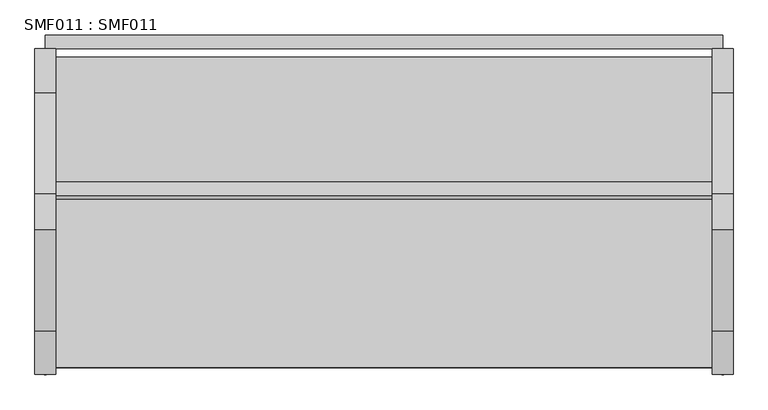
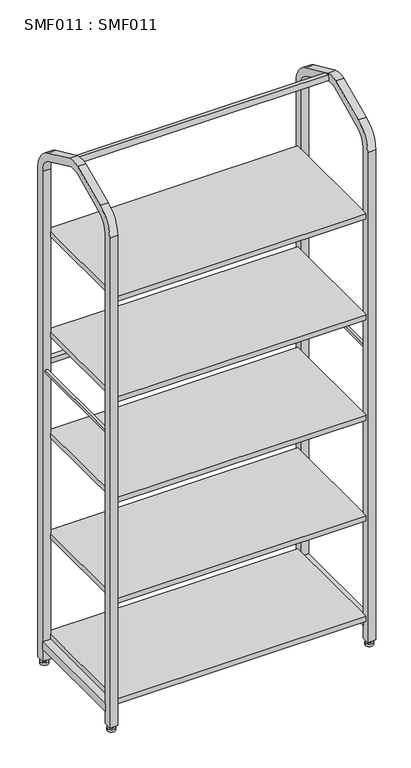
"""IFC4 building model written with IfcOpenShell, lengths in millimetres: proxy geometry, SMF011 : SMF011."""

import ifcopenshell
import ifcopenshell.guid

model = None  # the IFC model being written
_history = None  # IfcOwnerHistory: only IFC2X3 demands one
_inside = {}  # id of a spatial element -> (the spatial element, [elements in it])
_under = {}  # id of a project, library or spatial element -> (it, [spatial elements below it])
_declared = {}  # id of a project -> (the project, [libraries it declares])
_typed = {}  # id of a type object -> (the type object, [elements of that type])
_made_of = {}  # id of a material, layer set ... -> (it, [elements and type objects made of it])


def new_model(schema):
    """Start an empty IFC model of exactly this schema.

    Asked for "IFC4X3", IfcOpenShell would pick the latest addendum, in which some entities
    have other attributes; the version numbers below select the first issue.
    IFC2X3 requires an IfcOwnerHistory on every rooted entity: one is made here for all.
    """
    global model, _history
    if schema == "IFC4X3":
        model = ifcopenshell.file(schema_version=(4, 3, 0, 0))
    else:
        model = ifcopenshell.file(schema=schema)
    _inside.clear()
    _under.clear()
    _declared.clear()
    _typed.clear()
    _made_of.clear()
    _history = None
    if model.schema == "IFC2X3":
        org = make("IfcOrganization", Name="unknown")
        user = make(
            "IfcPersonAndOrganization",
            ThePerson=make("IfcPerson", FamilyName="unknown"),
            TheOrganization=org,
        )
        app = make(
            "IfcApplication",
            ApplicationDeveloper=org,
            Version="unknown",
            ApplicationFullName="unknown",
            ApplicationIdentifier="unknown",
        )
        _history = make(
            "IfcOwnerHistory",
            OwningUser=user,
            OwningApplication=app,
            ChangeAction="ADDED",
            CreationDate=0,
        )
    return model


def make(cls, **values):
    """One entity of the class cls with the attributes given. An attribute that is None is left unset."""
    return model.create_entity(
        cls, **{name: value for name, value in values.items() if value is not None}
    )


def rooted(cls, **values):
    """An entity with a GlobalId (a new one), such as an element, a storey or a relation."""
    return make(cls, GlobalId=ifcopenshell.guid.new(), OwnerHistory=_history, **values)


def si_unit(unit_type, name, prefix=None):
    """IfcSIUnit, for example si_unit("LENGTHUNIT", "METRE", prefix="MILLI")."""
    return make("IfcSIUnit", UnitType=unit_type, Prefix=prefix, Name=name)


def assignment(units):
    """IfcUnitAssignment: the units of a project."""
    return None if units is None else make("IfcUnitAssignment", Units=units)


def point(xyz):
    """IfcCartesianPoint."""
    return None if xyz is None else make("IfcCartesianPoint", Coordinates=xyz)


def direction(xyz):
    """IfcDirection."""
    return None if xyz is None else make("IfcDirection", DirectionRatios=xyz)


def frame(location, z_axis=None, x_axis=None):
    """IfcAxis2Placement3D, a coordinate frame: its origin and axes. An axis left out is left unset."""
    return make(
        "IfcAxis2Placement3D",
        Location=point(location),
        Axis=direction(z_axis),
        RefDirection=direction(x_axis),
    )


def frame_2d(location, x_axis=None):
    """IfcAxis2Placement2D, a coordinate frame in the plane: its origin and x axis."""
    return make(
        "IfcAxis2Placement2D", Location=point(location), RefDirection=direction(x_axis)
    )


def origin():
    """The frame at (0, 0, 0) with its axes left unset."""
    return frame((0.0, 0.0, 0.0))


def origin_with_axes():
    """The frame at (0, 0, 0) with the z axis (0, 0, 1) and the x axis (1, 0, 0) written out."""
    return frame((0.0, 0.0, 0.0), z_axis=(0.0, 0.0, 1.0), x_axis=(1.0, 0.0, 0.0))


def place(relative_to, where):
    """IfcLocalPlacement: puts the frame where relative to a parent placement (None: the world)."""
    return make(
        "IfcLocalPlacement", PlacementRelTo=relative_to, RelativePlacement=where
    )


def context(
    kind, dimensions, precision=None, world=None, true_north=None, identifier=None
):
    """IfcGeometricRepresentationContext, for example the 3D "Model" context."""
    return make(
        "IfcGeometricRepresentationContext",
        ContextIdentifier=identifier,
        ContextType=kind,
        CoordinateSpaceDimension=dimensions,
        Precision=precision,
        WorldCoordinateSystem=world,
        TrueNorth=true_north,
    )


def project(units=None, contexts=None):
    """IfcProject with its units and contexts."""
    return rooted(
        "IfcProject",
        Name="project",
        RepresentationContexts=contexts,
        UnitsInContext=assignment(units),
    )


def spatial(cls, under=None, at=None, **own):
    """A site, building, storey or space (cls), placed at a placement, below another one or the project."""
    s = rooted(cls, ObjectPlacement=at, **own)
    if under is not None:
        _under.setdefault(under.id(), (under, []))[1].append(s)
    return s


def polyline(points):
    """IfcPolyline through the points."""
    return make("IfcPolyline", Points=[point(p) for p in points])


def circle_curve(where, radius):
    """IfcCircle in the frame where."""
    return make("IfcCircle", Position=where, Radius=radius)


def trimmed(basis, trim1, trim2, sense, master):
    """IfcTrimmedCurve: the piece of a basis curve between two trims."""
    return make(
        "IfcTrimmedCurve",
        BasisCurve=basis,
        Trim1=trim1,
        Trim2=trim2,
        SenseAgreement=sense,
        MasterRepresentation=master,
    )


def segment(curve, same_sense, transition):
    """IfcCompositeCurveSegment."""
    return make(
        "IfcCompositeCurveSegment",
        Transition=transition,
        SameSense=same_sense,
        ParentCurve=curve,
    )


def composite_curve(segments, self_intersect=None):
    """IfcCompositeCurve: segments joined end to end."""
    return make("IfcCompositeCurve", Segments=segments, SelfIntersect=self_intersect)


def outline(outer, holes=None, kind="AREA"):
    """IfcArbitraryClosedProfileDef: a profile drawn as a closed curve; with holes, ...WithVoids."""
    if holes is None:
        return make("IfcArbitraryClosedProfileDef", ProfileType=kind, OuterCurve=outer)
    return make(
        "IfcArbitraryProfileDefWithVoids",
        ProfileType=kind,
        OuterCurve=outer,
        InnerCurves=holes,
    )


def extrude(swept, where, along, depth):
    """IfcExtrudedAreaSolid: the profile swept, set in the frame where, extruded along a direction by depth."""
    return make(
        "IfcExtrudedAreaSolid",
        SweptArea=swept,
        Position=where,
        ExtrudedDirection=direction(along),
        Depth=depth,
    )


def shape(context_of_items, identifier, shape_type, items):
    """IfcShapeRepresentation: the items that make up one representation, for example the "Body"."""
    return make(
        "IfcShapeRepresentation",
        ContextOfItems=context_of_items,
        RepresentationIdentifier=identifier,
        RepresentationType=shape_type,
        Items=items,
    )


def source(mapping_origin, context_of_items, identifier, shape_type, items):
    """IfcRepresentationMap: a shape defined once, which mapped items show again and again."""
    return make(
        "IfcRepresentationMap",
        MappingOrigin=mapping_origin,
        MappedRepresentation=shape(context_of_items, identifier, shape_type, items),
    )


def transform(
    local_origin,
    x_axis=None,
    y_axis=None,
    z_axis=None,
    scale=None,
    scale2=None,
    scale3=None,
    uniform=True,
):
    """IfcCartesianTransformationOperator3D, or its non-uniform kind. x_axis, y_axis, z_axis: its Axis1, 2, 3."""
    if uniform:
        return make(
            "IfcCartesianTransformationOperator3D",
            Axis1=direction(x_axis),
            Axis2=direction(y_axis),
            LocalOrigin=point(local_origin),
            Scale=scale,
            Axis3=direction(z_axis),
        )
    return make(
        "IfcCartesianTransformationOperator3DnonUniform",
        Axis1=direction(x_axis),
        Axis2=direction(y_axis),
        LocalOrigin=point(local_origin),
        Scale=scale,
        Axis3=direction(z_axis),
        Scale2=scale2,
        Scale3=scale3,
    )


def mapped(mapping_source, mapping_target):
    """IfcMappedItem: shows the shape of a source again, moved by a transform."""
    return make(
        "IfcMappedItem", MappingSource=mapping_source, MappingTarget=mapping_target
    )


def made_of(thing, what):
    """Note that an element or type object is made of a material, layer set ...; save() writes the relation."""
    if what is not None:
        _made_of.setdefault(what.id(), (what, []))[1].append(thing)
    return thing


def element(
    cls,
    number,
    at=None,
    inside=None,
    cuts=None,
    type_object=None,
    material=None,
    context=None,
    identifier="Body",
    shape_type=None,
    held_by="IfcProductDefinitionShape",
    body=None,
    shapes=None,
    **own,
):
    """One element of the class cls, such as IfcWall. Its Tag is "e" and its number.

    at: its placement. inside: the storey or other place that contains it. cuts: it is an
    opening in that element (IfcRelVoidsElement). A single representation is given by context,
    identifier, shape_type and body (its items); several are given by shapes. held_by: the class
    of the entity that holds the representations. save() writes the other relations.
    """
    e = rooted(cls, Tag="e%d" % number, ObjectPlacement=at, **own)
    if body is not None:
        shapes = [shape(context, identifier, shape_type, body)]
    if shapes is not None:
        e.Representation = make(held_by, Representations=shapes)
    if inside is not None:
        _inside.setdefault(inside.id(), (inside, []))[1].append(e)
    if cuts is not None:
        rooted(
            "IfcRelVoidsElement", RelatingBuildingElement=cuts, RelatedOpeningElement=e
        )
    if type_object is not None:
        _typed.setdefault(type_object.id(), (type_object, []))[1].append(e)
    return made_of(e, material)


def aggregate(whole, parts):
    """IfcRelAggregates: a whole, such as a stair, and the parts it consists of."""
    return rooted("IfcRelAggregates", RelatingObject=whole, RelatedObjects=parts)


def save(model, path):
    """Write the relations noted so far, then the file.

    IfcRelAggregates (storeys below a building ...), IfcRelContainedInSpatialStructure (elements
    in a storey), IfcRelDefinesByType, IfcRelAssociatesMaterial and IfcRelDeclares: one each for
    every whole, place, type object, material and project.
    """
    for whole, parts in _under.values():
        aggregate(whole, parts)
    for where, things in _inside.values():
        rooted(
            "IfcRelContainedInSpatialStructure",
            RelatedElements=things,
            RelatingStructure=where,
        )
    for kind, things in _typed.values():
        rooted("IfcRelDefinesByType", RelatedObjects=things, RelatingType=kind)
    for what, things in _made_of.values():
        rooted("IfcRelAssociatesMaterial", RelatedObjects=things, RelatingMaterial=what)
    for by, libraries in _declared.values():
        rooted("IfcRelDeclares", RelatingContext=by, RelatedDefinitions=libraries)
    model.write(path)


def smf011_smf011_c365aa45(model_context):
    return source(origin(), model_context, "Body", "SweptSolid", [
        extrude(outline(composite_curve([segment(trimmed(circle_curve(frame_2d((985.0, -452.0)), 7.4793619), [point((977.5206381, -452.0))], [point((992.4793619, -452.0))], False, "CARTESIAN"), True, "CONTINUOUS"), segment(trimmed(circle_curve(frame_2d((985.0, -452.0)), 7.4793619), [point((992.4793619, -452.0))], [point((977.5206381, -452.0))], False, "CARTESIAN"), True, "CONTINUOUS")], self_intersect=False)), frame((0.0, 0.0, 10.0), z_axis=(0.0, 0.0, 1.0), x_axis=(1.0, 0.0, 0.0)), (0.0, 0.0, 1.0), 10.0),
        extrude(outline(composite_curve([segment(trimmed(circle_curve(frame_2d((985.0, -15.0)), 7.4984661), [point((977.5015339, -15.0))], [point((992.4984661, -15.0))], False, "CARTESIAN"), True, "CONTINUOUS"), segment(trimmed(circle_curve(frame_2d((985.0, -15.0)), 7.4984661), [point((992.4984661, -15.0))], [point((977.5015339, -15.0))], False, "CARTESIAN"), True, "CONTINUOUS")], self_intersect=False)), frame((0.0, 0.0, 10.0), z_axis=(0.0, 0.0, 1.0), x_axis=(1.0, 0.0, 0.0)), (0.0, 0.0, 1.0), 10.0),
        extrude(outline(composite_curve([segment(trimmed(circle_curve(frame_2d((15.0, -15.0)), 7.5056106), [point((7.4943894, -15.0))], [point((22.5056106, -15.0))], False, "CARTESIAN"), True, "CONTINUOUS"), segment(trimmed(circle_curve(frame_2d((15.0, -15.0)), 7.5056106), [point((22.5056106, -15.0))], [point((7.4943894, -15.0))], False, "CARTESIAN"), True, "CONTINUOUS")], self_intersect=False)), frame((0.0, 0.0, 10.0), z_axis=(0.0, 0.0, 1.0), x_axis=(1.0, 0.0, 0.0)), (0.0, 0.0, 1.0), 10.0),
        extrude(outline(composite_curve([segment(trimmed(circle_curve(frame_2d((15.0, -452.0)), 7.5004036), [point((7.4995964, -452.0))], [point((22.5004036, -452.0))], False, "CARTESIAN"), True, "CONTINUOUS"), segment(trimmed(circle_curve(frame_2d((15.0, -452.0)), 7.5004036), [point((22.5004036, -452.0))], [point((7.4995964, -452.0))], False, "CARTESIAN"), True, "CONTINUOUS")], self_intersect=False)), frame((0.0, 0.0, 10.0), z_axis=(0.0, 0.0, 1.0), x_axis=(1.0, 0.0, 0.0)), (0.0, 0.0, 1.0), 10.0),
        extrude(outline(composite_curve([segment(trimmed(circle_curve(frame_2d((15.0, -451.9999975)), 15.0), [point((0.0, -451.9999975))], [point((30.0, -451.9999975))], False, "CARTESIAN"), True, "CONTINUOUS"), segment(trimmed(circle_curve(frame_2d((15.0, -451.9999975)), 15.0), [point((30.0, -451.9999975))], [point((0.0, -451.9999975))], False, "CARTESIAN"), True, "CONTINUOUS")], self_intersect=False)), origin_with_axes(), (0.0, 0.0, 1.0), 10.0),
        extrude(outline(composite_curve([segment(trimmed(circle_curve(frame_2d((14.9999997, -15.0)), 15.0), [point((-3e-07, -15.0))], [point((29.9999997, -15.0))], False, "CARTESIAN"), True, "CONTINUOUS"), segment(trimmed(circle_curve(frame_2d((14.9999997, -15.0)), 15.0), [point((29.9999997, -15.0))], [point((-3e-07, -15.0))], False, "CARTESIAN"), True, "CONTINUOUS")], self_intersect=False)), origin_with_axes(), (0.0, 0.0, 1.0), 10.0),
        extrude(outline(composite_curve([segment(trimmed(circle_curve(frame_2d((984.9999784, -15.0)), 15.0), [point((969.9999784, -15.0))], [point((999.9999784, -15.0))], False, "CARTESIAN"), True, "CONTINUOUS"), segment(trimmed(circle_curve(frame_2d((984.9999784, -15.0)), 15.0), [point((999.9999784, -15.0))], [point((969.9999784, -15.0))], False, "CARTESIAN"), True, "CONTINUOUS")], self_intersect=False)), origin_with_axes(), (0.0, 0.0, 1.0), 10.0),
        extrude(outline(composite_curve([segment(trimmed(circle_curve(frame_2d((985.0000148, -451.9999975)), 15.0), [point((970.0000148, -451.9999975))], [point((1000.0000148, -451.9999975))], False, "CARTESIAN"), True, "CONTINUOUS"), segment(trimmed(circle_curve(frame_2d((985.0000148, -451.9999975)), 15.0), [point((1000.0000148, -451.9999975))], [point((970.0000148, -451.9999975))], False, "CARTESIAN"), True, "CONTINUOUS")], self_intersect=False)), origin_with_axes(), (0.0, 0.0, 1.0), 10.0),
        extrude(outline(polyline([(1000.0, -29.9999993), (1000.0, -436.9999975), (970.0, -436.9999975), (970.0, -29.9999993), (1000.0, -29.9999993)])), frame((0.0, 0.0, 68.0000009), z_axis=(0.0, 0.0, 1.0), x_axis=(1.0, 0.0, 0.0)), (0.0, 0.0, 1.0), 29.9999948),
        extrude(outline(polyline([(970.0, -223.5000024), (970.0, -243.499999), (30.0, -243.499999), (30.0, -223.5000024), (970.0, -223.5000024)])), frame((0.0, 0.0, 73.0), z_axis=(0.0, 0.0, 1.0), x_axis=(1.0, 0.0, 0.0)), (0.0, 0.0, 1.0), 20.0000011),
        extrude(outline(polyline([(30.0, -29.9999993), (30.0, -436.9999975), (0.0, -436.9999975), (0.0, -29.9999993), (30.0, -29.9999993)])), frame((0.0, 0.0, 68.0000009), z_axis=(0.0, 0.0, 1.0), x_axis=(1.0, 0.0, 0.0)), (0.0, 0.0, 1.0), 29.9999948),
        extrude(outline(polyline([(20.0000011, -436.9999975), (10.0000005, -436.9999975), (10.0000005, 0.0), (20.0000011, 0.0), (20.0000011, -436.9999975)])), frame((0.0, 0.0, 1164.0000263), z_axis=(0.0, 0.0, 1.0), x_axis=(1.0, 0.0, 0.0)), (0.0, 0.0, 1.0), 9.999971),
        extrude(outline(polyline([(989.999964, -436.9999975), (979.9999929, -436.9999975), (979.9999929, 0.0), (989.999964, 0.0), (989.999964, -436.9999975)])), frame((0.0, 0.0, 1164.0000263), z_axis=(0.0, 0.0, 1.0), x_axis=(1.0, 0.0, 0.0)), (0.0, 0.0, 1.0), 9.999971),
        extrude(outline(polyline([(984.9999784, 20.0000011), (984.9999784, 0.0), (14.9999997, 0.0), (14.9999997, 20.0000011), (984.9999784, 20.0000011)])), frame((0.0, 0.0, 1170.0000235), z_axis=(0.0, 0.0, 1.0), x_axis=(1.0, 0.0, 0.0)), (0.0, 0.0, 1.0), 19.999942),
        extrude(outline(polyline([(0.0, -20.0000001), (0.0, 0.0), (940.0000226, 0.0), (940.0000226, -20.0000001), (0.0, -20.0000001)])), frame((970.0000219, -215.3848991, 2102.6179039), z_axis=(0.0, 0.25881904510252773, 0.9659258262890664), x_axis=(-1.0, 0.0, 0.0)), (0.0, 0.0, 1.0), 20.0),
        extrude(outline(polyline([(970.0000219, -12.0), (970.0000219, -457.0000122), (30.0000076, -457.0000122), (30.0000076, -12.0), (970.0000219, -12.0)])), frame((0.0, 0.0, 1697.9999897), z_axis=(0.0, 0.0, 1.0), x_axis=(1.0, 0.0, 0.0)), (0.0, 0.0, 1.0), 19.999942),
        extrude(outline(polyline([(970.0000219, -12.0), (970.0000219, -457.0000122), (30.0000076, -457.0000122), (30.0000076, -12.0), (970.0000219, -12.0)])), frame((0.0, 0.0, 1297.9999866), z_axis=(0.0, 0.0, 1.0), x_axis=(1.0, 0.0, 0.0)), (0.0, 0.0, 1.0), 19.999942),
        extrude(outline(polyline([(970.0000219, -12.0), (970.0000219, -457.0000122), (30.0000076, -457.0000122), (30.0000076, -12.0), (970.0000219, -12.0)])), frame((0.0, 0.0, 897.9999836), z_axis=(0.0, 0.0, 1.0), x_axis=(1.0, 0.0, 0.0)), (0.0, 0.0, 1.0), 20.0000147),
        extrude(outline(polyline([(970.0000219, -12.0), (970.0000219, -457.0000122), (30.0000076, -457.0000122), (30.0000076, -12.0), (970.0000219, -12.0)])), frame((0.0, 0.0, 498.0000169), z_axis=(0.0, 0.0, 1.0), x_axis=(1.0, 0.0, 0.0)), (0.0, 0.0, 1.0), 19.9999784),
        extrude(outline(polyline([(970.0000219, -12.0), (970.0000219, -457.0000122), (30.0000076, -457.0000122), (30.0000076, -12.0), (970.0000219, -12.0)])), frame((0.0, 0.0, 97.9999957), z_axis=(0.0, 0.0, 1.0), x_axis=(1.0, 0.0, 0.0)), (0.0, 0.0, 1.0), 20.0000056),
        extrude(outline(composite_curve([segment(trimmed(circle_curve(frame_2d((-367.0180013, 1967.4300556)), 99.9819819), [point((-466.9999832, 1967.4300556))], [point((-404.471911, 2060.131735))], False, "CARTESIAN"), True, "CONTINUOUS"), segment(polyline([(-404.471911, 2060.131735), (-259.3800071, 2126.5899628)]), True, "CONTINUOUS"), segment(trimmed(circle_curve(frame_2d((-233.5000007, 2026.363919)), 103.5134512), [point((-259.3800071, 2126.5899628))], [point((-207.6199943, 2126.5899628))], False, "CARTESIAN"), True, "CONTINUOUS"), segment(polyline([(-207.6199943, 2126.5899628), (-62.8299994, 2060.2700283)]), True, "CONTINUOUS"), segment(trimmed(circle_curve(frame_2d((-107.75703, 1962.1851224)), 107.8845997), [point((-62.8299994, 2060.2700283))], [point((0.0, 1967.4300556))], False, "CARTESIAN"), True, "CONTINUOUS"), segment(polyline([(0.0, 1967.4300556), (0.0, 20.0000011), (-29.9999993, 20.0000011), (-29.9999993, 1967.4300556)]), True, "CONTINUOUS"), segment(trimmed(circle_curve(frame_2d((-99.9743794, 1967.4530183)), 69.9743839), [point((-29.9999993, 1967.4300556))], [point((-73.9800002, 2032.4199841))], True, "CARTESIAN"), True, "CONTINUOUS"), segment(polyline([(-73.9800002, 2032.4199841), (-215.3800039, 2097.6100456)]), True, "CONTINUOUS"), segment(trimmed(circle_curve(frame_2d((-233.5000007, 2027.0655899)), 72.8344323), [point((-215.3800039, 2097.6100456))], [point((-251.6199975, 2097.6100456))], True, "CARTESIAN"), True, "CONTINUOUS"), segment(polyline([(-251.6199975, 2097.6100456), (-393.2286016, 2032.3238187)]), True, "CONTINUOUS"), segment(trimmed(circle_curve(frame_2d((-367.0098195, 1967.4300556)), 69.990178), [point((-393.2286016, 2032.3238187))], [point((-436.9999975, 1967.4300556))], True, "CARTESIAN"), True, "CONTINUOUS"), segment(polyline([(-436.9999975, 1967.4300556), (-436.9999975, 20.0000011), (-466.9999832, 20.0000011), (-466.9999832, 1967.4300556)]), True, "CONTINUOUS")], self_intersect=False)), frame((2.19e-05, 0.0, 0.0), z_axis=(1.0, 0.0, 0.0), x_axis=(0.0, 1.0, 0.0)), (0.0, 0.0, 1.0), 29.9999857),
        extrude(outline(composite_curve([segment(trimmed(circle_curve(frame_2d((-367.0180013, 1967.4300556)), 99.9819819), [point((-466.9999832, 1967.4300556))], [point((-404.471911, 2060.131735))], False, "CARTESIAN"), True, "CONTINUOUS"), segment(polyline([(-404.471911, 2060.131735), (-259.3800071, 2126.5899628)]), True, "CONTINUOUS"), segment(trimmed(circle_curve(frame_2d((-233.5000007, 2026.363919)), 103.5134512), [point((-259.3800071, 2126.5899628))], [point((-207.6199943, 2126.5899628))], False, "CARTESIAN"), True, "CONTINUOUS"), segment(polyline([(-207.6199943, 2126.5899628), (-62.8299994, 2060.2700283)]), True, "CONTINUOUS"), segment(trimmed(circle_curve(frame_2d((-107.75703, 1962.1851224)), 107.8845997), [point((-62.8299994, 2060.2700283))], [point((0.0, 1967.4300556))], False, "CARTESIAN"), True, "CONTINUOUS"), segment(polyline([(0.0, 1967.4300556), (0.0, 20.0000011), (-29.9999993, 20.0000011), (-29.9999993, 1967.4300556)]), True, "CONTINUOUS"), segment(trimmed(circle_curve(frame_2d((-99.9743794, 1967.4530183)), 69.9743839), [point((-29.9999993, 1967.4300556))], [point((-73.9800002, 2032.4199841))], True, "CARTESIAN"), True, "CONTINUOUS"), segment(polyline([(-73.9800002, 2032.4199841), (-215.3800039, 2097.6100456)]), True, "CONTINUOUS"), segment(trimmed(circle_curve(frame_2d((-233.5000007, 2027.0655899)), 72.8344323), [point((-215.3800039, 2097.6100456))], [point((-251.6199975, 2097.6100456))], True, "CARTESIAN"), True, "CONTINUOUS"), segment(polyline([(-251.6199975, 2097.6100456), (-393.2286016, 2032.3238187)]), True, "CONTINUOUS"), segment(trimmed(circle_curve(frame_2d((-367.0098195, 1967.4300556)), 69.990178), [point((-393.2286016, 2032.3238187))], [point((-436.9999975, 1967.4300556))], True, "CARTESIAN"), True, "CONTINUOUS"), segment(polyline([(-436.9999975, 1967.4300556), (-436.9999975, 20.0000011), (-466.9999832, 20.0000011), (-466.9999832, 1967.4300556)]), True, "CONTINUOUS")], self_intersect=False)), frame((970.0000219, 0.0, 0.0), z_axis=(1.0, 0.0, 0.0), x_axis=(0.0, 1.0, 0.0)), (0.0, 0.0, 1.0), 29.9999857),
    ])


if __name__ == "__main__":
    model = new_model("IFC4")
    model_context = context("Model", 3, world=origin())
    ifc_project = project(units=[si_unit("LENGTHUNIT", "METRE", prefix="MILLI")], contexts=[model_context])
    site = spatial("IfcSite", under=ifc_project)
    building = spatial("IfcBuilding", under=site)
    placement = place(None, origin())
    smf011_smf011_shape = smf011_smf011_c365aa45(model_context)
    element("IfcBuildingElementProxy", 1, Name="SMF011 : SMF011", ObjectType="SMF011 : SMF011", at=placement, inside=building, context=model_context, shape_type="MappedRepresentation", body=[
        mapped(smf011_smf011_shape, transform((0.0, 0.0, 0.0), x_axis=(1.0, 0.0, 0.0), y_axis=(0.0, 1.0, 0.0), z_axis=(0.0, 0.0, 1.0))),
    ])
    save(model, "model.ifc")
